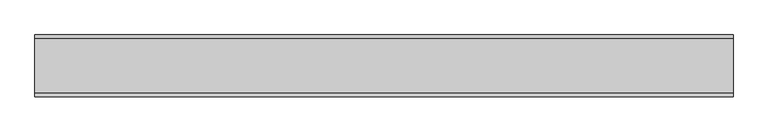
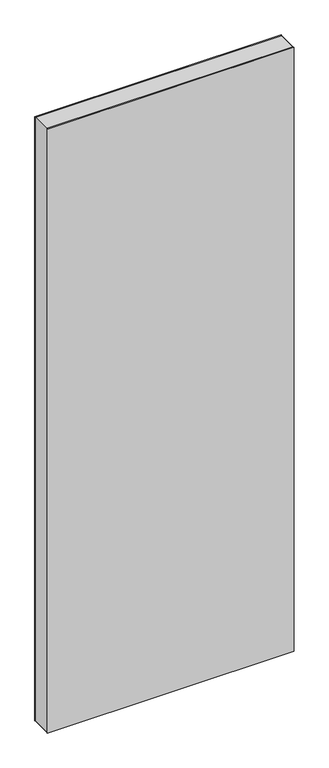
"""IFC4 building model written with IfcOpenShell, lengths in millimetres: plate geometry."""

from ifc_helpers import new_model, si_unit, frame, origin, origin_with_axes, place, context, project, spatial, polyline, outline, extrude, source, transform, mapped, element, save


def plate_997f3ea5(model_context):
    return source(origin(), model_context, "Body", "SweptSolid", [
        extrude(outline(polyline([(2931.0, -566.2857144), (0.0, -566.2857144), (0.0, 566.2857144), (2931.0, 566.2857144), (2931.0, -566.2857144)]), holes=[polyline([(2930.0, -565.2857144), (2930.0, 565.2857144), (1.0, 565.2857144), (1.0, -565.2857144), (2930.0, -565.2857144)])]), frame((0.0, -44.0, 0.0), z_axis=(0.0, 1.0, 0.0), x_axis=(0.0, 0.0, 1.0)), (0.0, 0.0, 1.0), 88.0),
        extrude(outline(polyline([(566.2857144, 44.0), (-566.2857144, 44.0), (-566.2857144, 50.0), (566.2857144, 50.0), (566.2857144, 44.0)])), origin_with_axes(), (0.0, 0.0, 1.0), 2931.0),
        extrude(outline(polyline([(-566.2857144, -50.0), (-566.2857144, -44.0), (566.2857144, -44.0), (566.2857144, -50.0), (-566.2857144, -50.0)])), origin_with_axes(), (0.0, 0.0, 1.0), 2931.0),
    ])


if __name__ == "__main__":
    model = new_model("IFC4")
    model_context = context("Model", 3, world=origin())
    ifc_project = project(units=[si_unit("LENGTHUNIT", "METRE", prefix="MILLI")], contexts=[model_context])
    site = spatial("IfcSite", under=ifc_project)
    building = spatial("IfcBuilding", under=site)
    placement = place(None, origin())
    plate_shape = plate_997f3ea5(model_context)
    element("IfcPlate", 1, at=placement, inside=building, context=model_context, shape_type="MappedRepresentation", body=[
        mapped(plate_shape, transform((0.0, 0.0, 0.0), x_axis=(1.0, 0.0, 0.0), y_axis=(0.0, 1.0, 0.0), z_axis=(0.0, 0.0, 1.0))),
    ])
    save(model, "model.ifc")
